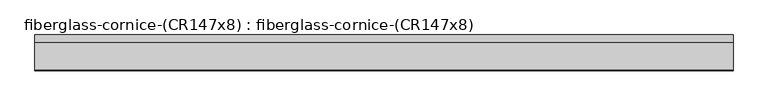
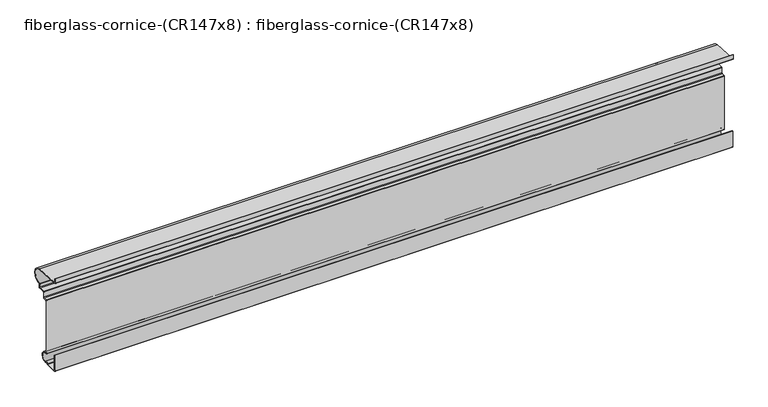
"""IFC4 building model written with IfcOpenShell, lengths in millimetres: furniture geometry, fiberglass-cornice-(CR147x8) : fiberglass-cornice-(CR147x8)."""

from ifc_helpers import new_model, si_unit, point, frame, frame_2d, origin, place, context, project, spatial, polyline, circle_curve, trimmed, segment, composite_curve, outline, extrude, source, transform, mapped, element, save


def fiberglass_cornice_cr147x8_fiberglass_cornice_cr147x8_ec862a04(model_context):
    return source(origin(), model_context, "Body", "SweptSolid", [
        extrude(outline(composite_curve([segment(polyline([(101.6, 330.1999904), (105.7275024, 330.1999904), (105.7275024, 307.6054193)]), True, "CONTINUOUS"), segment(trimmed(circle_curve(frame_2d((108.7122646, 307.6054193)), 2.9847622), [point((105.7275024, 307.6054193))], [point((108.7122646, 304.6206571))], True, "CARTESIAN"), True, "CONTINUOUS"), segment(polyline([(108.7122646, 304.6206571), (265.6117565, 295.1944431)]), True, "CONTINUOUS"), segment(trimmed(circle_curve(frame_2d((262.8900574, 249.2374658)), 46.0375), [point((265.6117565, 295.1944431))], [point((265.8602187, 203.2958774))], False, "CARTESIAN"), True, "CONTINUOUS"), segment(trimmed(circle_curve(frame_2d((265.8602187, 200.3258275)), 2.9700499), [point((265.8602187, 203.2958774))], [point((262.8901688, 200.3258275))], True, "CARTESIAN"), True, "CONTINUOUS"), segment(polyline([(262.8901688, 200.3258275), (262.8901688, 180.9749641)]), True, "CONTINUOUS"), segment(trimmed(circle_curve(frame_2d((259.7151783, 180.9749641)), 3.1749904), [point((262.8901688, 180.9749641))], [point((259.7151783, 177.7999736))], False, "CARTESIAN"), True, "CONTINUOUS"), segment(polyline([(259.7151783, 177.7999736), (223.2025352, 177.7999736)]), True, "CONTINUOUS"), segment(trimmed(circle_curve(frame_2d((223.2025352, 174.6249534)), 3.1750202), [point((223.2025352, 177.7999736))], [point((220.027515, 174.6249534))], True, "CARTESIAN"), True, "CONTINUOUS"), segment(polyline([(220.027515, 174.6249534), (220.027515, 142.8749897)]), True, "CONTINUOUS"), segment(trimmed(circle_curve(frame_2d((216.8524948, 142.8749897)), 3.1750202), [point((220.027515, 142.8749897))], [point((216.8524948, 139.6999694))], False, "CARTESIAN"), True, "CONTINUOUS"), segment(polyline([(216.8524948, 139.6999694), (197.8026119, 139.6999694)]), True, "CONTINUOUS"), segment(trimmed(circle_curve(frame_2d((197.8026119, 136.5249492)), 3.1750202), [point((197.8026119, 139.6999694))], [point((194.6275917, 136.5249492))], True, "CARTESIAN"), True, "CONTINUOUS"), segment(polyline([(194.6275917, 136.5249492), (194.6275917, -187.3250119)]), True, "CONTINUOUS"), segment(trimmed(circle_curve(frame_2d((197.8026119, -187.3250119)), 3.1750202), [point((194.6275917, -187.3250119))], [point((197.8026119, -190.5000322))], True, "CARTESIAN"), True, "CONTINUOUS"), segment(polyline([(197.8026119, -190.5000322), (200.9775574, -190.5000322)]), True, "CONTINUOUS"), segment(trimmed(circle_curve(frame_2d((200.9775574, -222.248879)), 31.7488469), [point((200.9775574, -190.5000322))], [point((203.5253548, -253.8953323))], False, "CARTESIAN"), True, "CONTINUOUS"), segment(trimmed(circle_curve(frame_2d((203.156346, -250.7418489)), 3.175), [point((203.5253548, -253.8953323))], [point((200.2968418, -252.1216536))], False, "CARTESIAN"), True, "CONTINUOUS"), segment(trimmed(circle_curve(frame_2d((191.4525574, -256.3893115)), 9.8200953), [point((200.2968418, -252.1216536))], [point((182.5782039, -252.1845378))], True, "CARTESIAN"), True, "CONTINUOUS"), segment(trimmed(circle_curve(frame_2d((179.709026, -250.8250873)), 3.1749469), [point((182.5782039, -252.1845378))], [point((179.709026, -254.0000342))], False, "CARTESIAN"), True, "CONTINUOUS"), segment(polyline([(179.709026, -254.0000342), (108.9025227, -254.0000342)]), True, "CONTINUOUS"), segment(trimmed(circle_curve(frame_2d((108.9025227, -250.825014)), 3.1750202), [point((108.9025227, -254.0000342))], [point((105.7275024, -250.825014))], False, "CARTESIAN"), True, "CONTINUOUS"), segment(polyline([(105.7275024, -250.825014), (105.7275024, -152.4000354), (109.8550049, -152.4000354), (109.8550049, -246.0623668)]), True, "CONTINUOUS"), segment(trimmed(circle_curve(frame_2d((113.6651722, -246.0623668)), 3.8101673), [point((109.8550049, -246.0623668))], [point((113.6651722, -249.8725341))], True, "CARTESIAN"), True, "CONTINUOUS"), segment(polyline([(113.6651722, -249.8725341), (177.0065514, -249.8725341)]), True, "CONTINUOUS"), segment(trimmed(circle_curve(frame_2d((177.0065514, -246.0627203)), 3.8098137), [point((177.0065514, -249.8725341))], [point((180.1059107, -248.2782681))], True, "CARTESIAN"), True, "CONTINUOUS"), segment(trimmed(circle_curve(frame_2d((191.4525574, -256.3893115)), 13.9475953), [point((180.1059107, -248.2782681))], [point((202.5399239, -247.9272954))], False, "CARTESIAN"), True, "CONTINUOUS"), segment(trimmed(circle_curve(frame_2d((205.5686085, -245.6157656)), 3.81), [point((202.5399239, -247.9272954))], [point((206.3031767, -249.3542827))], True, "CARTESIAN"), True, "CONTINUOUS"), segment(trimmed(circle_curve(frame_2d((200.9775574, -222.2500342)), 27.6225), [point((206.3031767, -249.3542827))], [point((200.9823413, -194.6275346))], True, "CARTESIAN"), True, "CONTINUOUS"), segment(polyline([(200.9823413, -194.6275346), (193.0399624, -194.6275346)]), True, "CONTINUOUS"), segment(trimmed(circle_curve(frame_2d((193.0399624, -192.0876615)), 2.5398731), [point((193.0399624, -194.6275346))], [point((190.5000893, -192.0876615))], False, "CARTESIAN"), True, "CONTINUOUS"), segment(polyline([(190.5000893, -192.0876615), (190.5000893, 141.2875988)]), True, "CONTINUOUS"), segment(trimmed(circle_curve(frame_2d((193.0399624, 141.2875988)), 2.5398731), [point((190.5000893, 141.2875988))], [point((193.0399624, 143.8274719))], False, "CARTESIAN"), True, "CONTINUOUS"), segment(polyline([(193.0399624, 143.8274719), (212.0900241, 143.8274719)]), True, "CONTINUOUS"), segment(trimmed(circle_curve(frame_2d((212.0900241, 147.6374604)), 3.8099885), [point((212.0900241, 143.8274719))], [point((215.9000126, 147.6374604))], True, "CARTESIAN"), True, "CONTINUOUS"), segment(polyline([(215.9000126, 147.6374604), (215.9000126, 179.3873645)]), True, "CONTINUOUS"), segment(trimmed(circle_curve(frame_2d((218.4401241, 179.3873645)), 2.5401115), [point((215.9000126, 179.3873645))], [point((218.4401241, 181.9274761))], False, "CARTESIAN"), True, "CONTINUOUS"), segment(polyline([(218.4401241, 181.9274761), (254.9526778, 181.9274761)]), True, "CONTINUOUS"), segment(trimmed(circle_curve(frame_2d((254.9526778, 185.7374646)), 3.8099885), [point((254.9526778, 181.9274761))], [point((258.7626663, 185.7374646))], True, "CARTESIAN"), True, "CONTINUOUS"), segment(polyline([(258.7626663, 185.7374646), (258.7626663, 204.7235973)]), True, "CONTINUOUS"), segment(trimmed(circle_curve(frame_2d((261.3932717, 204.7235973)), 2.6306053), [point((258.7626663, 204.7235973))], [point((261.4480275, 207.3536327))], False, "CARTESIAN"), True, "CONTINUOUS"), segment(trimmed(circle_curve(frame_2d((262.8900493, 249.2381449)), 41.9093281), [point((261.4480275, 207.3536327))], [point((265.403339, 291.0720445))], True, "CARTESIAN"), True, "CONTINUOUS"), segment(polyline([(265.403339, 291.0720445), (103.9877621, 300.7695414)]), True, "CONTINUOUS"), segment(trimmed(circle_curve(frame_2d((103.9877621, 303.1573035)), 2.3877621), [point((103.9877621, 300.7695414))], [point((101.6, 303.1573035))], False, "CARTESIAN"), True, "CONTINUOUS"), segment(polyline([(101.6, 303.1573035), (101.6, 330.1999904)]), True, "CONTINUOUS")], self_intersect=False)), frame((-2012.9498044, 0.0, 0.0), z_axis=(1.0, 0.0, 0.0), x_axis=(0.0, 1.0, 0.0)), (0.0, 0.0, 1.0), 4025.8996087),
    ])


if __name__ == "__main__":
    model = new_model("IFC4")
    model_context = context("Model", 3, world=origin())
    ifc_project = project(units=[si_unit("LENGTHUNIT", "METRE", prefix="MILLI")], contexts=[model_context])
    site = spatial("IfcSite", under=ifc_project)
    building = spatial("IfcBuilding", under=site)
    placement = place(None, origin())
    fiberglass_cornice_cr147x8_fiberglass_cornice_cr147x8_shape = fiberglass_cornice_cr147x8_fiberglass_cornice_cr147x8_ec862a04(model_context)
    element("IfcFurniture", 1, ObjectType="fiberglass-cornice-(CR147x8) : fiberglass-cornice-(CR147x8)", at=placement, inside=building, context=model_context, shape_type="MappedRepresentation", body=[
        mapped(fiberglass_cornice_cr147x8_fiberglass_cornice_cr147x8_shape, transform((0.0, 0.0, 0.0), x_axis=(1.0, 0.0, 0.0), y_axis=(0.0, 1.0, 0.0), z_axis=(0.0, 0.0, 1.0))),
    ])
    save(model, "model.ifc")
